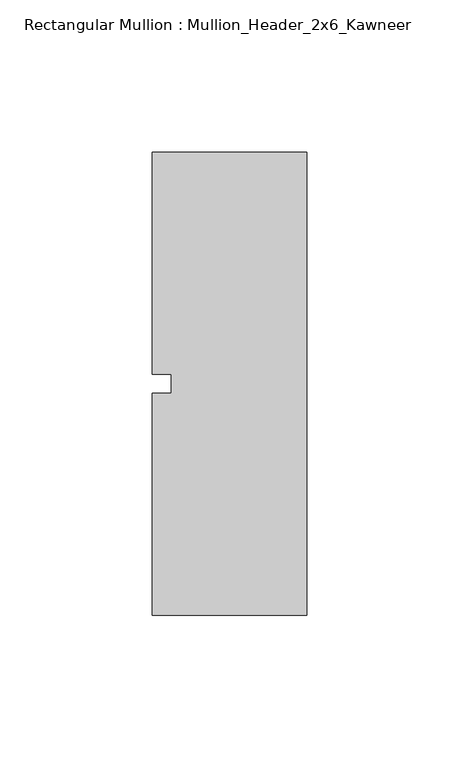
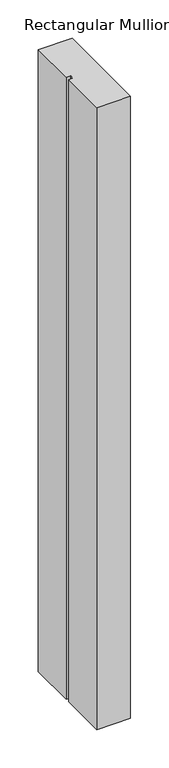
"""IFC4 building model written with IfcOpenShell, lengths in millimetres: member geometry, Rectangular Mullion : Mullion_Header_2x6_Kawneer."""

from ifc_helpers import new_model, si_unit, frame, origin, place, context, project, spatial, polyline, outline, extrude, source, transform, mapped, element, save


def rectangular_mullion_mullion_header_2x6_kawneer_eb154aa3(model_context):
    return source(origin(), model_context, "Body", "SweptSolid", [
        extrude(outline(polyline([(-50.8, 76.2), (0.0, 76.2), (0.0, -76.2), (-50.8, -76.2), (-50.8, -3.175), (-44.45, -3.175), (-44.45, 3.175), (-50.8, 3.175), (-50.8, 76.2)])), frame((0.0, 0.0, -990.6), z_axis=(0.0, 0.0, 1.0), x_axis=(1.0, 0.0, 0.0)), (0.0, 0.0, 1.0), 990.6),
    ])


if __name__ == "__main__":
    model = new_model("IFC4")
    model_context = context("Model", 3, world=origin())
    ifc_project = project(units=[si_unit("LENGTHUNIT", "METRE", prefix="MILLI")], contexts=[model_context])
    site = spatial("IfcSite", under=ifc_project)
    building = spatial("IfcBuilding", under=site)
    placement = place(None, origin())
    rectangular_mullion_mullion_header_2x6_kawneer_shape = rectangular_mullion_mullion_header_2x6_kawneer_eb154aa3(model_context)
    element("IfcMember", 1, ObjectType="Rectangular Mullion : Mullion_Header_2x6_Kawneer", at=placement, inside=building, context=model_context, shape_type="MappedRepresentation", body=[
        mapped(rectangular_mullion_mullion_header_2x6_kawneer_shape, transform((0.0, 0.0, 0.0), x_axis=(1.0, 0.0, 0.0), y_axis=(0.0, 1.0, 0.0), z_axis=(0.0, 0.0, 1.0))),
    ])
    save(model, "model.ifc")
